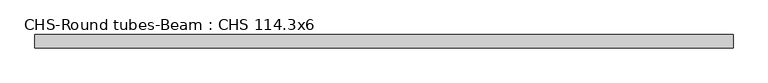
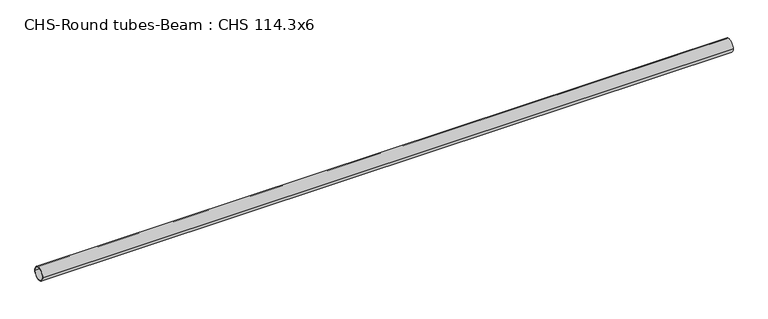
"""IFC4 building model written with IfcOpenShell, lengths in millimetres: beam geometry, CHS-Round tubes-Beam : CHS 114.3x6."""

from ifc_helpers import new_model, si_unit, point, frame, origin, origin_2d, place, context, project, spatial, circle_curve, trimmed, segment, composite_curve, outline, extrude, source, transform, mapped, element, save


def chs_round_tubes_beam_chs_114_3x6_155c4774(model_context):
    return source(origin(), model_context, "Body", "SweptSolid", [
        extrude(outline(composite_curve([segment(trimmed(circle_curve(origin_2d(), 57.15), [point((57.15, 0.0))], [point((-57.15, 0.0))], False, "CARTESIAN"), True, "CONTINUOUS"), segment(trimmed(circle_curve(origin_2d(), 57.15), [point((-57.15, 0.0))], [point((57.15, 0.0))], False, "CARTESIAN"), True, "CONTINUOUS")], self_intersect=False), holes=[composite_curve([segment(trimmed(circle_curve(origin_2d(), 51.15), [point((51.15, 0.0))], [point((-51.15, 0.0))], True, "CARTESIAN"), True, "CONTINUOUS"), segment(trimmed(circle_curve(origin_2d(), 51.15), [point((-51.15, 0.0))], [point((51.15, 0.0))], True, "CARTESIAN"), True, "CONTINUOUS")], self_intersect=False)]), frame((-3182.9521729, 0.0, 0.0), z_axis=(1.0, 0.0, 0.0), x_axis=(0.0, 1.0, 0.0)), (0.0, 0.0, 1.0), 5891.8739661),
    ])


if __name__ == "__main__":
    model = new_model("IFC4")
    model_context = context("Model", 3, world=origin())
    ifc_project = project(units=[si_unit("LENGTHUNIT", "METRE", prefix="MILLI")], contexts=[model_context])
    site = spatial("IfcSite", under=ifc_project)
    building = spatial("IfcBuilding", under=site)
    placement = place(None, origin())
    chs_round_tubes_beam_chs_114_3x6_shape = chs_round_tubes_beam_chs_114_3x6_155c4774(model_context)
    element("IfcBeam", 1, ObjectType="CHS-Round tubes-Beam : CHS 114.3x6", at=placement, inside=building, context=model_context, shape_type="MappedRepresentation", body=[
        mapped(chs_round_tubes_beam_chs_114_3x6_shape, transform((0.0, 0.0, 0.0), x_axis=(1.0, 0.0, 0.0), y_axis=(0.0, 1.0, 0.0), z_axis=(0.0, 0.0, 1.0))),
    ])
    save(model, "model.ifc")
